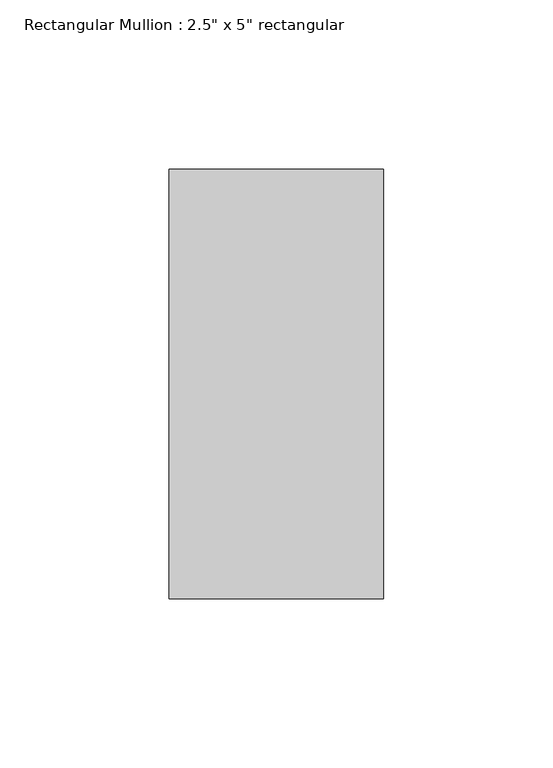
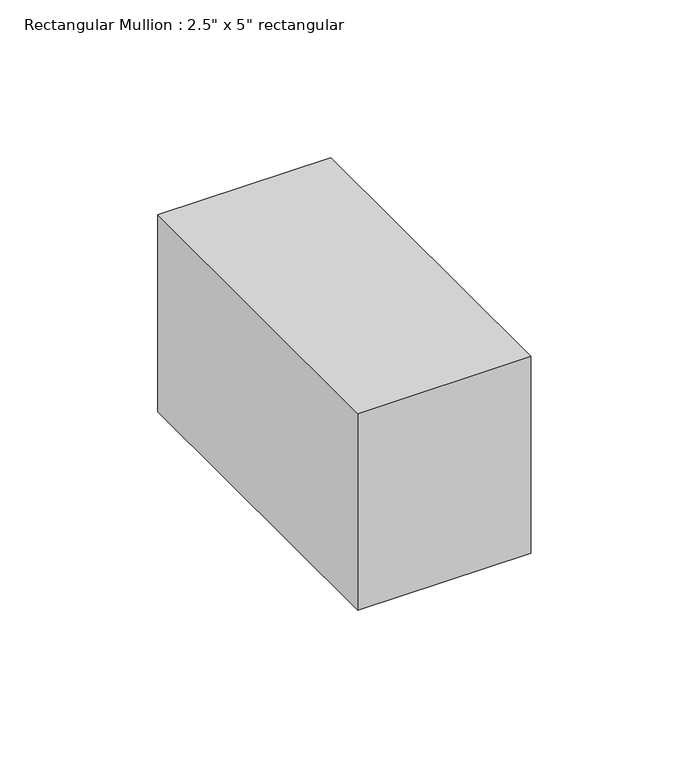
"""IFC4 building model written with IfcOpenShell, lengths in millimetres: member geometry."""

from ifc_helpers import new_model, si_unit, frame, origin, place, context, project, spatial, polyline, outline, extrude, source, transform, mapped, element, save


def member_161b21a5(model_context):
    return source(origin(), model_context, "Body", "SweptSolid", [
        extrude(outline(polyline([(0.0, 63.5), (0.0, -63.5), (-63.5, -63.5), (-63.5, 63.5), (0.0, 63.5)])), frame((0.0, 0.0, -76.1999997), z_axis=(0.0, 0.0, 1.0), x_axis=(1.0, 0.0, 0.0)), (0.0, 0.0, 1.0), 76.1999997),
    ])


if __name__ == "__main__":
    model = new_model("IFC4")
    model_context = context("Model", 3, world=origin())
    ifc_project = project(units=[si_unit("LENGTHUNIT", "METRE", prefix="MILLI")], contexts=[model_context])
    site = spatial("IfcSite", under=ifc_project)
    building = spatial("IfcBuilding", under=site)
    placement = place(None, origin())
    member_shape = member_161b21a5(model_context)
    element("IfcMember", 1, ObjectType="Rectangular Mullion : 2.5\" x 5\" rectangular", at=placement, inside=building, context=model_context, shape_type="MappedRepresentation", body=[
        mapped(member_shape, transform((0.0, 0.0, 0.0), x_axis=(1.0, 0.0, 0.0), y_axis=(0.0, 1.0, 0.0), z_axis=(0.0, 0.0, 1.0))),
    ])
    save(model, "model.ifc")
